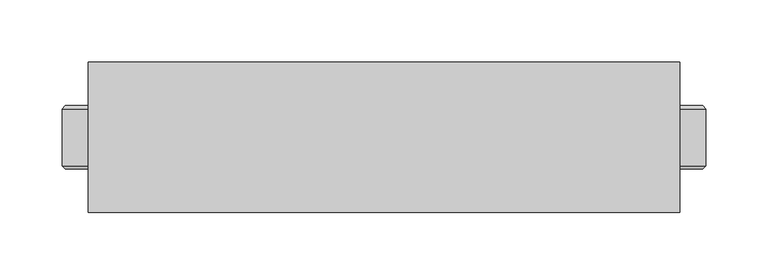
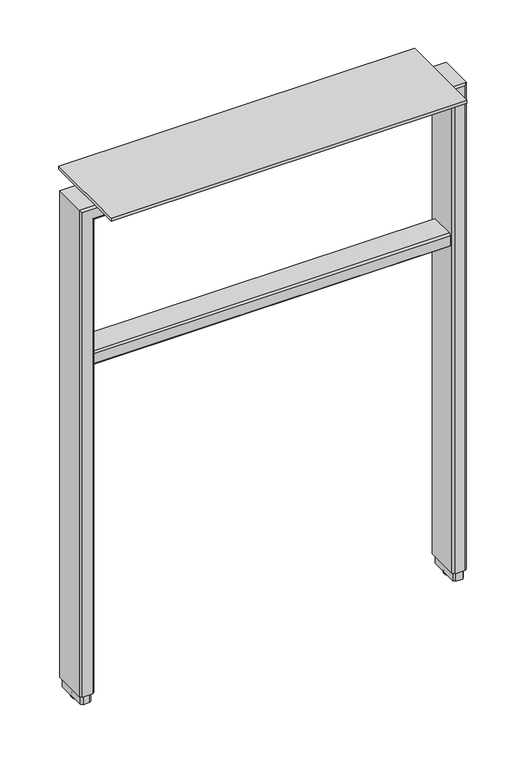
"""IFC4 building model written with IfcOpenShell, lengths in millimetres: furniture geometry."""

from ifc_helpers import new_model, si_unit, point, frame, origin, place, context, project, spatial, polyline, circle_curve, ellipse_curve, trimmed, outline, extrude, faceted_brep, source, transform, mapped, element, save
from ifc_brep_helpers import plane_surface, cylinder_surface, revolved_surface, advanced_brep


def furniture_462e7e02(model_context):
    return source(origin(), model_context, "Body", "SolidModel", [
        advanced_brep(
        [(-1010.550501, 252.9074928, 0.0), (-1010.550501, 242.7474889, 0.0), (-1010.550501, 247.8274909, 0.0), (-1010.550501, 247.8274909, 3.8100001), (-1010.550501, 241.204846, 3.8100001), (-1010.550501, 254.4501357, 3.8100001), (-1010.550501, 240.7154908, 3.183654), (-1010.550501, 254.9394909, 3.183654), (-1010.550501, 240.7154908, 2.032), (-1010.550501, 254.9394909, 2.032)],
        [
            (0, 1, circle_curve(frame((-1010.550501, 247.8274909, 0.0), z_axis=(0.0, 0.0, -1.0), x_axis=(0.0, -1.0, 0.0)), 5.080002)),
            (1, 2),
            (2, 0),
            (1, 0, circle_curve(frame((-1010.550501, 247.8274909, 0.0), z_axis=(0.0, 0.0, -1.0), x_axis=(0.0, -1.0, 0.0)), 5.080002)),
            (3, 4),
            (4, 5, circle_curve(frame((-1010.550501, 247.8274909, 3.8100001), z_axis=(0.0, 0.0, 1.0), x_axis=(0.0, -1.0, 0.0)), 6.6226448)),
            (5, 3),
            (5, 4, circle_curve(frame((-1010.550501, 247.8274909, 3.8100001), z_axis=(0.0, 0.0, 1.0), x_axis=(0.0, -1.0, 0.0)), 6.6226448)),
            (4, 6),
            (6, 7, circle_curve(frame((-1010.550501, 247.8274909, 3.183654), z_axis=(0.0, 0.0, 1.0), x_axis=(0.0, -1.0, 0.0)), 7.112)),
            (7, 5),
            (7, 6, circle_curve(frame((-1010.550501, 247.8274909, 3.183654), z_axis=(0.0, 0.0, 1.0), x_axis=(0.0, -1.0, 0.0)), 7.112)),
            (6, 8),
            (8, 9, circle_curve(frame((-1010.550501, 247.8274909, 2.032), z_axis=(0.0, 0.0, 1.0), x_axis=(0.0, -1.0, 0.0)), 7.112)),
            (9, 7),
            (9, 8, circle_curve(frame((-1010.550501, 247.8274909, 2.032), z_axis=(0.0, 0.0, 1.0), x_axis=(0.0, -1.0, 0.0)), 7.112)),
            (8, 1, circle_curve(frame((-1010.550501, 244.1843303, 3.4688381), z_axis=(1.0, 0.0, 0.0), x_axis=(0.0, -1.0, 0.0)), 3.7546439)),
            (0, 9, circle_curve(frame((-1010.550501, 251.4706514, 3.4688381), z_axis=(1.0, 0.0, 0.0), x_axis=(0.0, 1.0, 0.0)), 3.7546439)),
        ],
        [
            plane_surface(frame((-1010.550501, 247.8274909, 0.0), z_axis=(0.0, 0.0, -1.0), x_axis=(0.0, -1.0, 0.0))),
            plane_surface(frame((-1010.550501, 247.8274909, 3.8100001), z_axis=(0.0, 0.0, 1.0), x_axis=(0.0, -1.0, 0.0))),
            revolved_surface(polyline([(-1010.550501, 240.7154908, 3.183654), (-1010.550501, 241.204846, 3.8100001)]), (-1010.550501, 247.8274909, -2.6032322), (0.0, 0.0, 1.0)),
            cylinder_surface(frame((-1010.550501, 247.8274909, -2.6032322), z_axis=(0.0, 0.0, 1.0), x_axis=(0.0, -1.0, 0.0)), 7.112),
            revolved_surface(trimmed(ellipse_curve(frame((-1010.550501, 244.1843303, 3.4688381), z_axis=(-1.0, 0.0, 0.0), x_axis=(0.0, -1.0, 0.0)), 3.7546439, 3.7546439), [point((-1010.550501, 242.7474889, 0.0))], [point((-1010.550501, 240.7154908, 2.032))], True, "CARTESIAN"), (-1010.550501, 247.8274909, -2.6032322), (0.0, 0.0, 1.0)),
        ],
        [
            (0, [[1, 2, 3]]),
            (0, [[4, -3, -2]]),
            (1, [[5, 6, 7]]),
            (1, [[-7, 8, -5]]),
            (2, [[-6, 9, 10, 11]]),
            (2, [[-8, -11, 12, -9]]),
            (3, [[-10, 13, 14, 15]]),
            (3, [[-12, -15, 16, -13]]),
            (4, [[-14, 17, -1, 18]]),
            (4, [[-16, -18, -4, -17]]),
        ],
    ),
        extrude(outline(polyline([(-999.374501, 308.1530872), (-524.623101, 308.1530872), (-524.623101, 187.5030872), (-999.374501, 187.5030872), (-999.374501, 308.1530872)])), frame((0.0, 0.0, 702.6656222), z_axis=(0.0, 0.0, 1.0), x_axis=(1.0, 0.0, 0.0)), (0.0, 0.0, 1.0), 4.3434),
        extrude(outline(polyline([(228.7780889, 476.5039908), (228.7780889, 490.4739928), (231.3180893, 493.0139932), (264.3380896, 493.0139932), (266.8780872, 490.4739956), (266.8780872, 476.5039908), (264.3380896, 473.9639932), (231.3180865, 473.9639932), (228.7780889, 476.5039908)])), frame((-1001.025501, 0.0, 0.0), z_axis=(1.0, 0.0, 0.0), x_axis=(0.0, 1.0, 0.0)), (0.0, 0.0, 1.0), 478.0534),
        advanced_brep(
        [(-513.447101, 252.9074928, 0.0), (-513.447101, 242.7474889, 0.0), (-513.447101, 247.8274909, 0.0), (-513.447101, 247.8274909, 3.8100001), (-513.447101, 241.204846, 3.8100001), (-513.447101, 254.4501357, 3.8100001), (-513.447101, 240.7154908, 3.183654), (-513.447101, 254.9394909, 3.183654), (-513.447101, 240.7154908, 2.032), (-513.447101, 254.9394909, 2.032)],
        [
            (0, 1, circle_curve(frame((-513.447101, 247.8274909, 0.0), z_axis=(0.0, 0.0, -1.0), x_axis=(0.0, -1.0, 0.0)), 5.080002)),
            (1, 2),
            (2, 0),
            (1, 0, circle_curve(frame((-513.447101, 247.8274909, 0.0), z_axis=(0.0, 0.0, -1.0), x_axis=(0.0, -1.0, 0.0)), 5.080002)),
            (3, 4),
            (4, 5, circle_curve(frame((-513.447101, 247.8274909, 3.8100001), z_axis=(0.0, 0.0, 1.0), x_axis=(0.0, -1.0, 0.0)), 6.6226448)),
            (5, 3),
            (5, 4, circle_curve(frame((-513.447101, 247.8274909, 3.8100001), z_axis=(0.0, 0.0, 1.0), x_axis=(0.0, -1.0, 0.0)), 6.6226448)),
            (4, 6),
            (6, 7, circle_curve(frame((-513.447101, 247.8274909, 3.183654), z_axis=(0.0, 0.0, 1.0), x_axis=(0.0, -1.0, 0.0)), 7.112)),
            (7, 5),
            (7, 6, circle_curve(frame((-513.447101, 247.8274909, 3.183654), z_axis=(0.0, 0.0, 1.0), x_axis=(0.0, -1.0, 0.0)), 7.112)),
            (6, 8),
            (8, 9, circle_curve(frame((-513.447101, 247.8274909, 2.032), z_axis=(0.0, 0.0, 1.0), x_axis=(0.0, -1.0, 0.0)), 7.112)),
            (9, 7),
            (9, 8, circle_curve(frame((-513.447101, 247.8274909, 2.032), z_axis=(0.0, 0.0, 1.0), x_axis=(0.0, -1.0, 0.0)), 7.112)),
            (8, 1, circle_curve(frame((-513.447101, 244.1843303, 3.4688381), z_axis=(1.0, 0.0, 0.0), x_axis=(0.0, -1.0, 0.0)), 3.7546439)),
            (0, 9, circle_curve(frame((-513.447101, 251.4706514, 3.4688381), z_axis=(1.0, 0.0, 0.0), x_axis=(0.0, 1.0, 0.0)), 3.7546439)),
        ],
        [
            plane_surface(frame((-513.447101, 247.8274909, 0.0), z_axis=(0.0, 0.0, -1.0), x_axis=(0.0, -1.0, 0.0))),
            plane_surface(frame((-513.447101, 247.8274909, 3.8100001), z_axis=(0.0, 0.0, 1.0), x_axis=(0.0, -1.0, 0.0))),
            revolved_surface(polyline([(-513.447101, 240.7154908, 3.183654), (-513.447101, 241.204846, 3.8100001)]), (-513.447101, 247.8274909, -2.6032322), (0.0, 0.0, 1.0)),
            cylinder_surface(frame((-513.447101, 247.8274909, -2.6032322), z_axis=(0.0, 0.0, 1.0), x_axis=(0.0, -1.0, 0.0)), 7.112),
            revolved_surface(trimmed(ellipse_curve(frame((-513.447101, 244.1843303, 3.4688381), z_axis=(-1.0, 0.0, 0.0), x_axis=(0.0, -1.0, 0.0)), 3.7546439, 3.7546439), [point((-513.447101, 242.7474889, 0.0))], [point((-513.447101, 240.7154908, 2.032))], True, "CARTESIAN"), (-513.447101, 247.8274909, -2.6032322), (0.0, 0.0, 1.0)),
        ],
        [
            (0, [[1, 2, 3]]),
            (0, [[4, -3, -2]]),
            (1, [[5, 6, 7]]),
            (1, [[-7, 8, -5]]),
            (2, [[-6, 9, 10, 11]]),
            (2, [[-8, -11, 12, -9]]),
            (3, [[-10, 13, 14, 15]]),
            (3, [[-12, -15, 16, -13]]),
            (4, [[-14, 17, -1, 18]]),
            (4, [[-16, -18, -4, -17]]),
        ],
    ),
        extrude(outline(polyline([(-520.5590942, 227.3810872), (-520.5590942, 268.2744895), (-518.0190967, 270.8150861), (-508.8751054, 270.8150861), (-506.3351078, 268.2744895), (-506.3351078, 227.3810872), (-508.8751054, 224.8410873), (-518.0190967, 224.8410873), (-520.5590942, 227.3810872)])), frame((0.0, 0.0, 3.8100001), z_axis=(0.0, 0.0, 1.0), x_axis=(1.0, 0.0, 0.0)), (0.0, 0.0, 1.0), 12.6999999),
        extrude(outline(polyline([(-1017.662501, 227.3810872), (-1017.662501, 268.2744895), (-1015.1225034, 270.8150861), (-1005.9785122, 270.8150861), (-1003.4385146, 268.2744895), (-1003.4385146, 227.3810872), (-1005.9785122, 224.8410873), (-1015.1225034, 224.8410873), (-1017.662501, 227.3810872)])), frame((0.0, 0.0, 3.8100001), z_axis=(0.0, 0.0, 1.0), x_axis=(1.0, 0.0, 0.0)), (0.0, 0.0, 1.0), 12.6999999),
        faceted_brep([(-506.4620986, 222.4274872, 16.51), (-520.4321034, 222.4274872, 16.51), (-522.972101, 224.9674872, 16.51), (-522.972101, 270.6874861, 16.51), (-520.4320989, 273.2274883, 16.51), (-506.4621031, 273.2274883, 16.51), (-503.922101, 270.6874861, 16.51), (-503.922101, 224.9674872, 16.51), (-506.4620986, 222.4274872, 700.1256246), (-1017.5355034, 222.4274872, 700.1256246), (-1017.5355034, 222.4274872, 16.51), (-1003.5654986, 222.4274872, 16.51), (-1003.5654986, 222.4274872, 686.1556198), (-520.4321034, 222.4274872, 686.1556198), (-522.972101, 224.9674872, 683.6156222), (-522.972101, 270.6874861, 683.6156222), (-520.4320989, 273.2274883, 686.1556243), (-1003.5655031, 273.2274883, 686.1556243), (-1003.5655031, 273.2274883, 16.51), (-1017.5354989, 273.2274883, 16.51), (-1017.5354989, 273.2274883, 700.1256201), (-506.4621031, 273.2274883, 700.1256201), (-503.922101, 270.6874861, 702.6656222), (-503.922101, 224.9674872, 702.6656222), (-1001.025501, 224.9674872, 683.6156222), (-1001.025501, 270.6874861, 683.6156222), (-1020.075501, 270.6874861, 702.6656222), (-1020.075501, 224.9674872, 702.6656222), (-1001.025501, 224.9674872, 16.51), (-1001.025501, 270.6874861, 16.51), (-1020.075501, 270.6874861, 16.51), (-1020.075501, 224.9674872, 16.51)], [[[0, 1, 2, 3, 4, 5, 6, 7]], [[1, 0, 8, 9, 10, 11, 12, 13]], [[2, 1, 13, 14]], [[3, 2, 14, 15]], [[5, 4, 16, 17, 18, 19, 20, 21]], [[6, 5, 21, 22]], [[7, 6, 22, 23]], [[0, 7, 23, 8]], [[14, 13, 12, 24]], [[15, 14, 24, 25]], [[22, 21, 20, 26]], [[23, 22, 26, 27]], [[8, 23, 27, 9]], [[24, 12, 11, 28]], [[25, 24, 28, 29]], [[26, 20, 19, 30]], [[27, 26, 30, 31]], [[9, 27, 31, 10]], [[10, 31, 30, 19, 18, 29, 28, 11]], [[4, 3, 15, 16]], [[16, 15, 25, 17]], [[17, 25, 29, 18]]]),
    ])


if __name__ == "__main__":
    model = new_model("IFC4")
    model_context = context("Model", 3, world=origin())
    ifc_project = project(units=[si_unit("LENGTHUNIT", "METRE", prefix="MILLI")], contexts=[model_context])
    site = spatial("IfcSite", under=ifc_project)
    building = spatial("IfcBuilding", under=site)
    placement = place(None, origin())
    furniture_shape = furniture_462e7e02(model_context)
    element("IfcFurniture", 1, at=placement, inside=building, context=model_context, shape_type="MappedRepresentation", body=[
        mapped(furniture_shape, transform((0.0, 0.0, 0.0), x_axis=(1.0, 0.0, 0.0), y_axis=(0.0, 1.0, 0.0), z_axis=(0.0, 0.0, 1.0))),
    ])
    save(model, "model.ifc")
